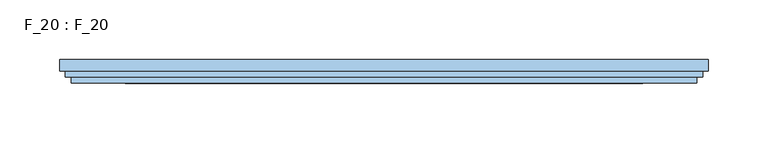
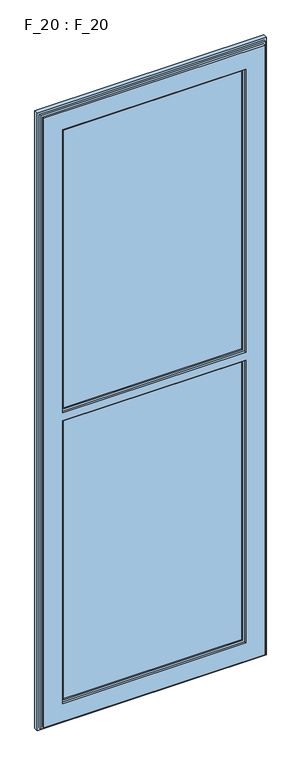
"""IFC4 building model written with IfcOpenShell, lengths in millimetres: window geometry, F_20 : F_20."""

import ifcopenshell
import ifcopenshell.guid

model = None  # the IFC model being written
_history = None  # IfcOwnerHistory: only IFC2X3 demands one
_inside = {}  # id of a spatial element -> (the spatial element, [elements in it])
_under = {}  # id of a project, library or spatial element -> (it, [spatial elements below it])
_declared = {}  # id of a project -> (the project, [libraries it declares])
_typed = {}  # id of a type object -> (the type object, [elements of that type])
_made_of = {}  # id of a material, layer set ... -> (it, [elements and type objects made of it])


def new_model(schema):
    """Start an empty IFC model of exactly this schema.

    Asked for "IFC4X3", IfcOpenShell would pick the latest addendum, in which some entities
    have other attributes; the version numbers below select the first issue.
    IFC2X3 requires an IfcOwnerHistory on every rooted entity: one is made here for all.
    """
    global model, _history
    if schema == "IFC4X3":
        model = ifcopenshell.file(schema_version=(4, 3, 0, 0))
    else:
        model = ifcopenshell.file(schema=schema)
    _inside.clear()
    _under.clear()
    _declared.clear()
    _typed.clear()
    _made_of.clear()
    _history = None
    if model.schema == "IFC2X3":
        org = make("IfcOrganization", Name="unknown")
        user = make(
            "IfcPersonAndOrganization",
            ThePerson=make("IfcPerson", FamilyName="unknown"),
            TheOrganization=org,
        )
        app = make(
            "IfcApplication",
            ApplicationDeveloper=org,
            Version="unknown",
            ApplicationFullName="unknown",
            ApplicationIdentifier="unknown",
        )
        _history = make(
            "IfcOwnerHistory",
            OwningUser=user,
            OwningApplication=app,
            ChangeAction="ADDED",
            CreationDate=0,
        )
    return model


def make(cls, **values):
    """One entity of the class cls with the attributes given. An attribute that is None is left unset."""
    return model.create_entity(
        cls, **{name: value for name, value in values.items() if value is not None}
    )


def rooted(cls, **values):
    """An entity with a GlobalId (a new one), such as an element, a storey or a relation."""
    return make(cls, GlobalId=ifcopenshell.guid.new(), OwnerHistory=_history, **values)


def si_unit(unit_type, name, prefix=None):
    """IfcSIUnit, for example si_unit("LENGTHUNIT", "METRE", prefix="MILLI")."""
    return make("IfcSIUnit", UnitType=unit_type, Prefix=prefix, Name=name)


def assignment(units):
    """IfcUnitAssignment: the units of a project."""
    return None if units is None else make("IfcUnitAssignment", Units=units)


def point(xyz):
    """IfcCartesianPoint."""
    return None if xyz is None else make("IfcCartesianPoint", Coordinates=xyz)


def direction(xyz):
    """IfcDirection."""
    return None if xyz is None else make("IfcDirection", DirectionRatios=xyz)


def frame(location, z_axis=None, x_axis=None):
    """IfcAxis2Placement3D, a coordinate frame: its origin and axes. An axis left out is left unset."""
    return make(
        "IfcAxis2Placement3D",
        Location=point(location),
        Axis=direction(z_axis),
        RefDirection=direction(x_axis),
    )


def origin():
    """The frame at (0, 0, 0) with its axes left unset."""
    return frame((0.0, 0.0, 0.0))


def place(relative_to, where):
    """IfcLocalPlacement: puts the frame where relative to a parent placement (None: the world)."""
    return make(
        "IfcLocalPlacement", PlacementRelTo=relative_to, RelativePlacement=where
    )


def context(
    kind, dimensions, precision=None, world=None, true_north=None, identifier=None
):
    """IfcGeometricRepresentationContext, for example the 3D "Model" context."""
    return make(
        "IfcGeometricRepresentationContext",
        ContextIdentifier=identifier,
        ContextType=kind,
        CoordinateSpaceDimension=dimensions,
        Precision=precision,
        WorldCoordinateSystem=world,
        TrueNorth=true_north,
    )


def project(units=None, contexts=None):
    """IfcProject with its units and contexts."""
    return rooted(
        "IfcProject",
        Name="project",
        RepresentationContexts=contexts,
        UnitsInContext=assignment(units),
    )


def spatial(cls, under=None, at=None, **own):
    """A site, building, storey or space (cls), placed at a placement, below another one or the project."""
    s = rooted(cls, ObjectPlacement=at, **own)
    if under is not None:
        _under.setdefault(under.id(), (under, []))[1].append(s)
    return s


def polyline(points):
    """IfcPolyline through the points."""
    return make("IfcPolyline", Points=[point(p) for p in points])


def outline(outer, holes=None, kind="AREA"):
    """IfcArbitraryClosedProfileDef: a profile drawn as a closed curve; with holes, ...WithVoids."""
    if holes is None:
        return make("IfcArbitraryClosedProfileDef", ProfileType=kind, OuterCurve=outer)
    return make(
        "IfcArbitraryProfileDefWithVoids",
        ProfileType=kind,
        OuterCurve=outer,
        InnerCurves=holes,
    )


def extrude(swept, where, along, depth):
    """IfcExtrudedAreaSolid: the profile swept, set in the frame where, extruded along a direction by depth."""
    return make(
        "IfcExtrudedAreaSolid",
        SweptArea=swept,
        Position=where,
        ExtrudedDirection=direction(along),
        Depth=depth,
    )


def faces_of(points, faces, orient=None, outer=None):
    """IfcFace entities. A face is a list of loops; a loop is a list of indices into points, from 0.

    orient and outer hold one flag for each loop. By default every Orientation is true, the
    first loop of a face is its IfcFaceOuterBound and the others are IfcFaceBound.
    """
    made = []
    for i, loops in enumerate(faces):
        bounds = []
        for j, loop in enumerate(loops):
            is_outer = j == 0 if outer is None else outer[i][j]
            bounds.append(
                make(
                    "IfcFaceOuterBound" if is_outer else "IfcFaceBound",
                    Bound=make("IfcPolyLoop", Polygon=[points[k] for k in loop]),
                    Orientation=True if orient is None else orient[i][j],
                )
            )
        made.append(make("IfcFace", Bounds=bounds))
    return made


def faceted_brep(points, faces, orient=None, outer=None, voids=None):
    """IfcFacetedBrep: a solid bounded by flat faces; with voids (closed shells), ...WithVoids."""
    shared = [point(p) for p in points]
    hull = make("IfcClosedShell", CfsFaces=faces_of(shared, faces, orient, outer))
    if voids is None:
        return make("IfcFacetedBrep", Outer=hull)
    return make(
        "IfcFacetedBrepWithVoids",
        Outer=hull,
        Voids=[
            make(cls, CfsFaces=faces_of(shared, fs, o, b)) for cls, fs, o, b in voids
        ],
    )


def shape(context_of_items, identifier, shape_type, items):
    """IfcShapeRepresentation: the items that make up one representation, for example the "Body"."""
    return make(
        "IfcShapeRepresentation",
        ContextOfItems=context_of_items,
        RepresentationIdentifier=identifier,
        RepresentationType=shape_type,
        Items=items,
    )


def source(mapping_origin, context_of_items, identifier, shape_type, items):
    """IfcRepresentationMap: a shape defined once, which mapped items show again and again."""
    return make(
        "IfcRepresentationMap",
        MappingOrigin=mapping_origin,
        MappedRepresentation=shape(context_of_items, identifier, shape_type, items),
    )


def transform(
    local_origin,
    x_axis=None,
    y_axis=None,
    z_axis=None,
    scale=None,
    scale2=None,
    scale3=None,
    uniform=True,
):
    """IfcCartesianTransformationOperator3D, or its non-uniform kind. x_axis, y_axis, z_axis: its Axis1, 2, 3."""
    if uniform:
        return make(
            "IfcCartesianTransformationOperator3D",
            Axis1=direction(x_axis),
            Axis2=direction(y_axis),
            LocalOrigin=point(local_origin),
            Scale=scale,
            Axis3=direction(z_axis),
        )
    return make(
        "IfcCartesianTransformationOperator3DnonUniform",
        Axis1=direction(x_axis),
        Axis2=direction(y_axis),
        LocalOrigin=point(local_origin),
        Scale=scale,
        Axis3=direction(z_axis),
        Scale2=scale2,
        Scale3=scale3,
    )


def mapped(mapping_source, mapping_target):
    """IfcMappedItem: shows the shape of a source again, moved by a transform."""
    return make(
        "IfcMappedItem", MappingSource=mapping_source, MappingTarget=mapping_target
    )


def made_of(thing, what):
    """Note that an element or type object is made of a material, layer set ...; save() writes the relation."""
    if what is not None:
        _made_of.setdefault(what.id(), (what, []))[1].append(thing)
    return thing


def element(
    cls,
    number,
    at=None,
    inside=None,
    cuts=None,
    type_object=None,
    material=None,
    context=None,
    identifier="Body",
    shape_type=None,
    held_by="IfcProductDefinitionShape",
    body=None,
    shapes=None,
    **own,
):
    """One element of the class cls, such as IfcWall. Its Tag is "e" and its number.

    at: its placement. inside: the storey or other place that contains it. cuts: it is an
    opening in that element (IfcRelVoidsElement). A single representation is given by context,
    identifier, shape_type and body (its items); several are given by shapes. held_by: the class
    of the entity that holds the representations. save() writes the other relations.
    """
    e = rooted(cls, Tag="e%d" % number, ObjectPlacement=at, **own)
    if body is not None:
        shapes = [shape(context, identifier, shape_type, body)]
    if shapes is not None:
        e.Representation = make(held_by, Representations=shapes)
    if inside is not None:
        _inside.setdefault(inside.id(), (inside, []))[1].append(e)
    if cuts is not None:
        rooted(
            "IfcRelVoidsElement", RelatingBuildingElement=cuts, RelatedOpeningElement=e
        )
    if type_object is not None:
        _typed.setdefault(type_object.id(), (type_object, []))[1].append(e)
    return made_of(e, material)


def aggregate(whole, parts):
    """IfcRelAggregates: a whole, such as a stair, and the parts it consists of."""
    return rooted("IfcRelAggregates", RelatingObject=whole, RelatedObjects=parts)


def save(model, path):
    """Write the relations noted so far, then the file.

    IfcRelAggregates (storeys below a building ...), IfcRelContainedInSpatialStructure (elements
    in a storey), IfcRelDefinesByType, IfcRelAssociatesMaterial and IfcRelDeclares: one each for
    every whole, place, type object, material and project.
    """
    for whole, parts in _under.values():
        aggregate(whole, parts)
    for where, things in _inside.values():
        rooted(
            "IfcRelContainedInSpatialStructure",
            RelatedElements=things,
            RelatingStructure=where,
        )
    for kind, things in _typed.values():
        rooted("IfcRelDefinesByType", RelatedObjects=things, RelatingType=kind)
    for what, things in _made_of.values():
        rooted("IfcRelAssociatesMaterial", RelatedObjects=things, RelatingMaterial=what)
    for by, libraries in _declared.values():
        rooted("IfcRelDeclares", RelatingContext=by, RelatedDefinitions=libraries)
    model.write(path)


def f_20_f_20_7d66b6dd(model_context):
    return source(origin(), model_context, "Body", "SolidModel", [
        faceted_brep([(217.5, -35.0, 1495.0), (217.5, -40.0, 1495.0), (217.5, -40.0, 2205.0), (217.5, -35.0, 2205.0), (217.5, -40.0, 2225.0), (217.5, -40.0, 2935.0), (217.5, -35.0, 2935.0), (217.5, -35.0, 2225.0), (-217.5, -35.0, 1495.0), (-217.5, -40.0, 1495.0), (-217.5, -40.0, 2205.0), (212.5, -40.0, 1500.0), (212.5, -40.0, 2200.0), (-212.5, -40.0, 2200.0), (-212.5, -40.0, 1500.0), (-217.5, -40.0, 2935.0), (-217.5, -40.0, 2225.0), (-212.5, -40.0, 2930.0), (-212.5, -40.0, 2230.0), (212.5, -40.0, 2230.0), (212.5, -40.0, 2930.0), (-217.5, -35.0, 2205.0), (-262.5, -35.0, 2980.0), (262.5, -35.0, 2980.0), (262.5, -35.0, 1450.0), (-262.5, -35.0, 1450.0), (-217.5, -35.0, 2935.0), (-217.5, -35.0, 2225.0), (212.5, -50.0, 1500.0), (212.5, -50.0, 2200.0), (212.5, -50.0, 2930.0), (212.5, -50.0, 2230.0), (-212.5, -50.0, 2230.0), (-217.5, -50.0, 1495.0), (217.5, -50.0, 1495.0), (217.5, -50.0, 2205.0), (-217.5, -50.0, 2205.0), (-212.5, -50.0, 1500.0), (-212.5, -50.0, 2200.0), (217.5, -50.0, 2935.0), (-217.5, -50.0, 2935.0), (-217.5, -50.0, 2225.0), (217.5, -50.0, 2225.0), (-212.5, -50.0, 2930.0), (217.5, -55.0, 1495.0), (217.5, -55.0, 2205.0), (217.5, -55.0, 2935.0), (217.5, -55.0, 2225.0), (-217.5, -55.0, 2225.0), (262.5, -55.0, 2980.0), (-262.5, -55.0, 2980.0), (-262.5, -55.0, 1450.0), (262.5, -55.0, 1450.0), (-217.5, -55.0, 1495.0), (-217.5, -55.0, 2205.0), (-217.5, -55.0, 2935.0), (262.5, -50.0, 2980.0), (262.5, -50.0, 1450.0), (-262.5, -50.0, 1450.0), (267.5, -50.0, 2985.0), (-267.5, -50.0, 2985.0), (-267.5, -50.0, 1445.0), (267.5, -50.0, 1445.0), (-262.5, -50.0, 2980.0), (267.5, -40.0, 2985.0), (267.5, -40.0, 1445.0), (-267.5, -40.0, 1445.0), (-267.5, -40.0, 2985.0), (262.5, -40.0, 2980.0), (-262.5, -40.0, 2980.0), (-262.5, -40.0, 1450.0), (262.5, -40.0, 1450.0)], [[[0, 1, 2, 3]], [[4, 5, 6, 7]], [[1, 0, 8, 9]], [[1, 9, 10, 2], [11, 12, 13, 14]], [[15, 5, 4, 16], [17, 18, 19, 20]], [[21, 3, 2, 10]], [[22, 23, 24, 25], [0, 3, 21, 8], [6, 26, 27, 7]], [[7, 27, 16, 4]], [[11, 28, 29, 12]], [[30, 20, 19, 31]], [[19, 18, 32, 31]], [[33, 34, 35, 36], [28, 37, 38, 29]], [[39, 40, 41, 42], [43, 30, 31, 32]], [[28, 11, 14, 37]], [[13, 12, 29, 38]], [[35, 34, 44, 45]], [[46, 39, 42, 47]], [[48, 47, 42, 41]], [[49, 50, 51, 52], [53, 54, 45, 44], [55, 46, 47, 48]], [[44, 34, 33, 53]], [[45, 54, 36, 35]], [[56, 49, 52, 57]], [[57, 52, 51, 58]], [[59, 60, 61, 62], [63, 56, 57, 58]], [[64, 59, 62, 65]], [[65, 62, 61, 66]], [[67, 64, 65, 66], [68, 69, 70, 71]], [[23, 68, 71, 24]], [[24, 71, 70, 25]], [[10, 9, 8, 21]], [[26, 15, 16, 27]], [[37, 14, 13, 38]], [[17, 43, 32, 18]], [[41, 40, 55, 48]], [[53, 33, 36, 54]], [[50, 63, 58, 51]], [[60, 67, 66, 61]], [[69, 22, 25, 70]], [[15, 26, 6, 5]], [[43, 17, 20, 30]], [[55, 40, 39, 46]], [[63, 50, 49, 56]], [[67, 60, 59, 64]], [[22, 69, 68, 23]]]),
        extrude(outline(polyline([(212.5, -47.0), (-212.5, -47.0), (-212.5, -43.0), (212.5, -43.0), (212.5, -47.0)])), frame((0.0, 0.0, 2230.0), z_axis=(0.0, 0.0, 1.0), x_axis=(1.0, 0.0, 0.0)), (0.0, 0.0, 1.0), 700.0),
        faceted_brep([(-272.5, -45.0, 2990.0), (-272.5, -35.0, 2990.0), (-272.5, -35.0, 1440.0), (-272.5, -45.0, 1440.0), (272.5, -35.0, 1440.0), (272.5, -45.0, 1440.0), (272.5, -35.0, 2990.0), (262.5, -35.0, 1450.0), (262.5, -35.0, 2980.0), (-262.5, -35.0, 2980.0), (-262.5, -35.0, 1450.0), (272.5, -45.0, 2990.0), (-267.5, -45.0, 1445.0), (-267.5, -45.0, 2985.0), (267.5, -45.0, 2985.0), (267.5, -45.0, 1445.0), (-267.5, -40.0, 2985.0), (-267.5, -40.0, 1445.0), (267.5, -40.0, 1445.0), (267.5, -40.0, 2985.0), (-262.5, -40.0, 1450.0), (-262.5, -40.0, 2980.0), (262.5, -40.0, 2980.0), (262.5, -40.0, 1450.0)], [[[0, 1, 2, 3]], [[3, 2, 4, 5]], [[2, 1, 6, 4], [7, 8, 9, 10]], [[5, 4, 6, 11]], [[5, 11, 0, 3], [12, 13, 14, 15]], [[16, 13, 12, 17]], [[17, 12, 15, 18]], [[18, 15, 14, 19]], [[18, 19, 16, 17], [20, 21, 22, 23]], [[9, 21, 20, 10]], [[10, 20, 23, 7]], [[7, 23, 22, 8]], [[11, 6, 1, 0]], [[19, 14, 13, 16]], [[8, 22, 21, 9]]]),
        extrude(outline(polyline([(212.5, -47.0), (-212.5, -47.0), (-212.5, -43.0), (212.5, -43.0), (212.5, -47.0)])), frame((0.0, 0.0, 1500.0), z_axis=(0.0, 0.0, 1.0), x_axis=(1.0, 0.0, 0.0)), (0.0, 0.0, 1.0), 700.0),
    ])


if __name__ == "__main__":
    model = new_model("IFC4")
    model_context = context("Model", 3, world=origin())
    ifc_project = project(units=[si_unit("LENGTHUNIT", "METRE", prefix="MILLI")], contexts=[model_context])
    site = spatial("IfcSite", under=ifc_project)
    building = spatial("IfcBuilding", under=site)
    placement = place(None, origin())
    f_20_f_20_shape = f_20_f_20_7d66b6dd(model_context)
    element("IfcWindow", 1, ObjectType="F_20 : F_20", at=placement, inside=building, context=model_context, shape_type="MappedRepresentation", body=[
        mapped(f_20_f_20_shape, transform((0.0, 0.0, 0.0), x_axis=(1.0, 0.0, 0.0), y_axis=(0.0, 1.0, 0.0), z_axis=(0.0, 0.0, 1.0))),
    ])
    save(model, "model.ifc")
